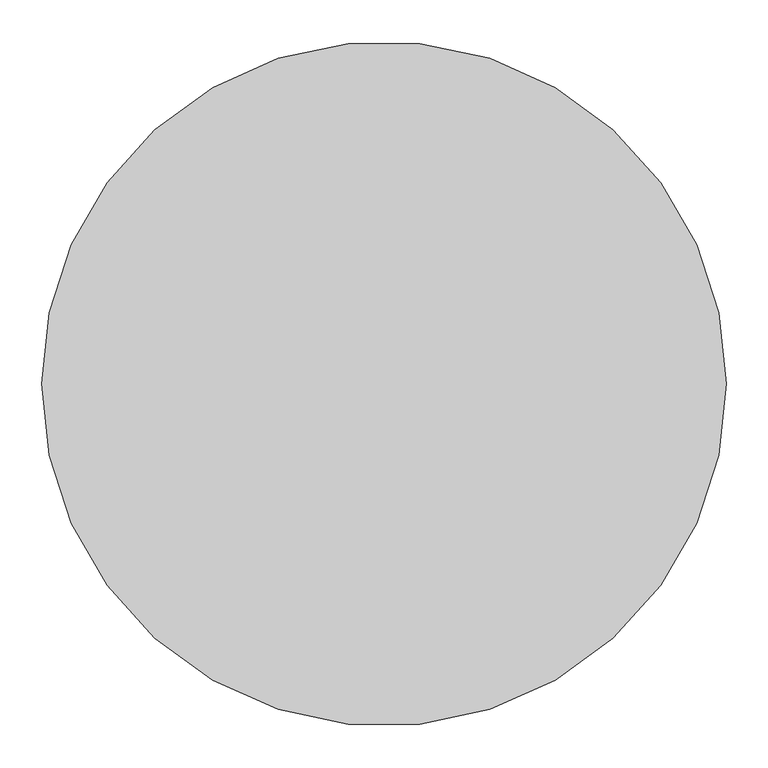
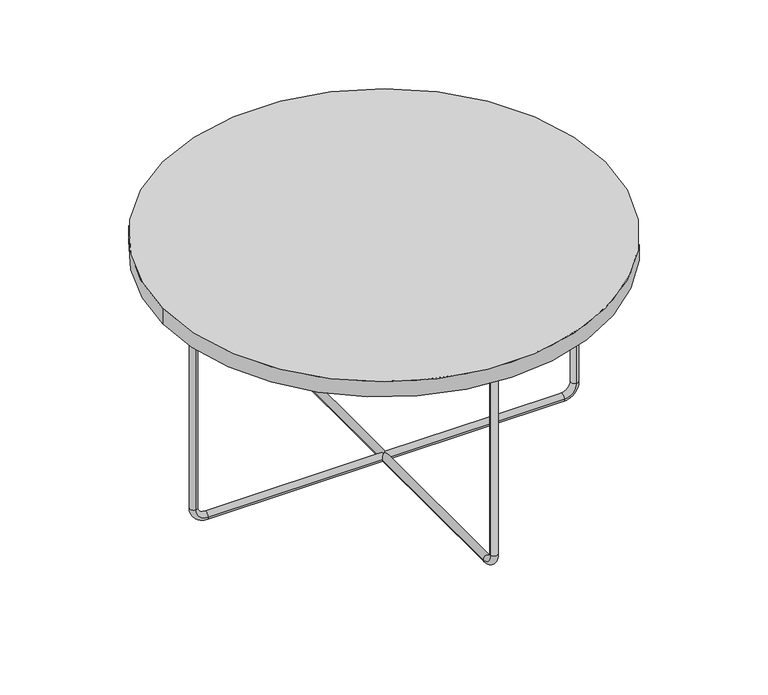
"""IFC4 building model written with IfcOpenShell, lengths in millimetres: furniture geometry."""

from ifc_helpers import new_model, si_unit, point, frame, origin, origin_2d, place, context, project, spatial, circle_curve, ellipse_curve, trimmed, segment, composite_curve, outline, extrude, source, transform, mapped, element, save
from ifc_brep_helpers import plane_surface, cylinder_surface, revolved_surface, advanced_brep


def furniture_17947c27(model_context):
    return source(origin(), model_context, "Body", "SolidModel", [
        advanced_brep(
        [(-7.0, 353.0, 410.0), (7.0, 353.0, 410.0), (-7.0, 353.0, 30.0), (7.0, 353.0, 30.0), (-7.0, 330.0, 7.0), (7.0, 330.0, 7.0), (-7.0, 7.0, 7.0), (0.0, 0.0, 14.0), (7.0, 7.0, 7.0), (-7.0, -330.0, 7.0), (7.0, -330.0, 7.0), (7.0, -7.0, 7.0), (-7.0, -7.0, 7.0), (0.0, 0.0, 0.0), (-7.0, -353.0, 30.0), (7.0, -353.0, 30.0), (-7.0, -353.0, 410.0), (7.0, -353.0, 410.0), (-353.0, 7.0, 410.0), (-353.0, -7.0, 410.0), (-353.0, 7.0, 30.0), (-353.0, -7.0, 30.0), (-330.0, 7.0, 7.0), (-330.0, -7.0, 7.0), (330.0, 7.0, 7.0), (330.0, -7.0, 7.0), (353.0, 7.0, 30.0), (353.0, -7.0, 30.0), (353.0, 7.0, 410.0), (353.0, -7.0, 410.0)],
        [
            (0, 1, circle_curve(frame((0.0, 353.0, 410.0), z_axis=(0.0, 0.0, 1.0), x_axis=(1.0, 0.0, 0.0)), 7.0)),
            (1, 0, circle_curve(frame((0.0, 353.0, 410.0), z_axis=(0.0, 0.0, 1.0), x_axis=(1.0, 0.0, 0.0)), 7.0)),
            (0, 2),
            (2, 3, circle_curve(frame((0.0, 353.0, 30.0), z_axis=(0.0, 0.0, 1.0), x_axis=(1.0, 0.0, 0.0)), 7.0)),
            (3, 1),
            (3, 2, circle_curve(frame((0.0, 353.0, 30.0), z_axis=(0.0, 0.0, 1.0), x_axis=(1.0, 0.0, 0.0)), 7.0)),
            (2, 4, circle_curve(frame((-7.0, 330.0, 30.0), z_axis=(-1.0, 0.0, 0.0), x_axis=(0.0, 1.0, 0.0)), 23.0)),
            (4, 5, circle_curve(frame((0.0, 330.0, 7.0), z_axis=(0.0, 1.0, 0.0), x_axis=(1.0, 0.0, 0.0)), 7.0)),
            (5, 3, circle_curve(frame((7.0, 330.0, 30.0), z_axis=(1.0, 0.0, 0.0), x_axis=(0.0, 1.0, 0.0)), 23.0)),
            (5, 4, circle_curve(frame((0.0, 330.0, 7.0), z_axis=(0.0, 1.0, 0.0), x_axis=(1.0, 0.0, 0.0)), 7.0)),
            (4, 6),
            (6, 7, ellipse_curve(frame((0.0, 0.0, 7.0), z_axis=(0.7071067811865475, 0.7071067811865475, 0.0), x_axis=(-0.7071067811865474, 0.7071067811865476, 0.0)), 9.8994949, 7.0)),
            (7, 8, ellipse_curve(frame((0.0, 0.0, 7.0), z_axis=(-0.7071067811865475, 0.7071067811865475, 0.0), x_axis=(0.7071067811865474, 0.7071067811865476, 0.0)), 9.8994949, 7.0)),
            (8, 5),
            (9, 10, circle_curve(frame((0.0, -330.0, 7.0), z_axis=(0.0, 1.0, 0.0), x_axis=(1.0, 0.0, 0.0)), 7.0)),
            (10, 11),
            (11, 7, ellipse_curve(frame((0.0, 0.0, 7.0), z_axis=(-0.7071067811865475, -0.7071067811865475, 0.0), x_axis=(-0.7071067811865474, 0.7071067811865476, 0.0)), 9.8994949, 7.0)),
            (7, 12, ellipse_curve(frame((0.0, 0.0, 7.0), z_axis=(0.7071067811865475, -0.7071067811865475, 0.0), x_axis=(0.7071067811865474, 0.7071067811865476, 0.0)), 9.8994949, 7.0)),
            (12, 9),
            (8, 13, ellipse_curve(frame((0.0, 0.0, 7.0), z_axis=(-0.7071067811865475, 0.7071067811865475, 0.0), x_axis=(0.7071067811865474, 0.7071067811865476, 0.0)), 9.8994949, 7.0)),
            (13, 6, ellipse_curve(frame((0.0, 0.0, 7.0), z_axis=(0.7071067811865475, 0.7071067811865475, 0.0), x_axis=(-0.7071067811865474, 0.7071067811865476, 0.0)), 9.8994949, 7.0)),
            (10, 9, circle_curve(frame((0.0, -330.0, 7.0), z_axis=(0.0, 1.0, 0.0), x_axis=(1.0, 0.0, 0.0)), 7.0)),
            (12, 13, ellipse_curve(frame((0.0, 0.0, 7.0), z_axis=(0.7071067811865475, -0.7071067811865475, 0.0), x_axis=(0.7071067811865474, 0.7071067811865476, 0.0)), 9.8994949, 7.0)),
            (13, 11, ellipse_curve(frame((0.0, 0.0, 7.0), z_axis=(-0.7071067811865475, -0.7071067811865475, 0.0), x_axis=(-0.7071067811865474, 0.7071067811865476, 0.0)), 9.8994949, 7.0)),
            (9, 14, circle_curve(frame((-7.0, -330.0, 30.0), z_axis=(-1.0, 0.0, 0.0), x_axis=(0.0, 0.0, -1.0)), 23.0)),
            (14, 15, circle_curve(frame((0.0, -353.0, 30.0), z_axis=(0.0, 0.0, -1.0), x_axis=(1.0, 0.0, 0.0)), 7.0)),
            (15, 10, circle_curve(frame((7.0, -330.0, 30.0), z_axis=(1.0, 0.0, 0.0), x_axis=(0.0, 0.0, -1.0)), 23.0)),
            (15, 14, circle_curve(frame((0.0, -353.0, 30.0), z_axis=(0.0, 0.0, -1.0), x_axis=(1.0, 0.0, 0.0)), 7.0)),
            (16, 17, circle_curve(frame((0.0, -353.0, 410.0), z_axis=(0.0, 0.0, 1.0), x_axis=(1.0, 0.0, 0.0)), 7.0)),
            (17, 16, circle_curve(frame((0.0, -353.0, 410.0), z_axis=(0.0, 0.0, 1.0), x_axis=(1.0, 0.0, 0.0)), 7.0)),
            (14, 16),
            (17, 15),
            (18, 19, circle_curve(frame((-353.0, 0.0, 410.0), z_axis=(0.0, 0.0, 1.0), x_axis=(0.0, -1.0, 0.0)), 7.0)),
            (19, 18, circle_curve(frame((-353.0, 0.0, 410.0), z_axis=(0.0, 0.0, 1.0), x_axis=(0.0, -1.0, 0.0)), 7.0)),
            (18, 20),
            (20, 21, circle_curve(frame((-353.0, 0.0, 30.0), z_axis=(0.0, 0.0, 1.0), x_axis=(0.0, -1.0, 0.0)), 7.0)),
            (21, 19),
            (21, 20, circle_curve(frame((-353.0, 0.0, 30.0), z_axis=(0.0, 0.0, 1.0), x_axis=(0.0, -1.0, 0.0)), 7.0)),
            (20, 22, circle_curve(frame((-330.0, 7.0, 30.0), z_axis=(0.0, -1.0, 0.0), x_axis=(-1.0, 0.0, 0.0)), 23.0)),
            (22, 23, circle_curve(frame((-330.0, 0.0, 7.0), z_axis=(-1.0, 0.0, 0.0), x_axis=(0.0, -1.0, 0.0)), 7.0)),
            (23, 21, circle_curve(frame((-330.0, -7.0, 30.0), z_axis=(0.0, 1.0, 0.0), x_axis=(-1.0, 0.0, 0.0)), 23.0)),
            (23, 22, circle_curve(frame((-330.0, 0.0, 7.0), z_axis=(-1.0, 0.0, 0.0), x_axis=(0.0, -1.0, 0.0)), 7.0)),
            (22, 6),
            (12, 23),
            (24, 25, circle_curve(frame((330.0, 0.0, 7.0), z_axis=(-1.0, 0.0, 0.0), x_axis=(0.0, -1.0, 0.0)), 7.0)),
            (25, 11),
            (8, 24),
            (25, 24, circle_curve(frame((330.0, 0.0, 7.0), z_axis=(-1.0, 0.0, 0.0), x_axis=(0.0, -1.0, 0.0)), 7.0)),
            (24, 26, circle_curve(frame((330.0, 7.0, 30.0), z_axis=(0.0, -1.0, 0.0), x_axis=(0.0, 0.0, -1.0)), 23.0)),
            (26, 27, circle_curve(frame((353.0, 0.0, 30.0), z_axis=(0.0, 0.0, -1.0), x_axis=(0.0, -1.0, 0.0)), 7.0)),
            (27, 25, circle_curve(frame((330.0, -7.0, 30.0), z_axis=(0.0, 1.0, 0.0), x_axis=(0.0, 0.0, -1.0)), 23.0)),
            (27, 26, circle_curve(frame((353.0, 0.0, 30.0), z_axis=(0.0, 0.0, -1.0), x_axis=(0.0, -1.0, 0.0)), 7.0)),
            (28, 29, circle_curve(frame((353.0, 0.0, 410.0), z_axis=(0.0, 0.0, 1.0), x_axis=(0.0, -1.0, 0.0)), 7.0)),
            (29, 28, circle_curve(frame((353.0, 0.0, 410.0), z_axis=(0.0, 0.0, 1.0), x_axis=(0.0, -1.0, 0.0)), 7.0)),
            (26, 28),
            (29, 27),
        ],
        [
            plane_surface(frame((0.0, 360.0, 410.0), z_axis=(0.0, 0.0, 1.0), x_axis=(1.0, 0.0, 0.0))),
            cylinder_surface(frame((0.0, 353.0, 410.0), z_axis=(0.0, 0.0, 1.0), x_axis=(1.0, 0.0, 0.0)), 7.0),
            revolved_surface(trimmed(ellipse_curve(frame((0.0, 353.0, 30.0), z_axis=(0.0, 0.0, 1.0), x_axis=(1.0, 0.0, 0.0)), 7.0, 7.0), [point((-7.0, 353.0, 30.0))], [point((7.0, 353.0, 30.0))], True, "CARTESIAN"), (0.0, 330.0, 30.0), (-1.0, 0.0, 0.0)),
            revolved_surface(trimmed(ellipse_curve(frame((0.0, 353.0, 30.0), z_axis=(0.0, 0.0, 1.0), x_axis=(1.0, 0.0, 0.0)), 7.0, 7.0), [point((7.0, 353.0, 30.0))], [point((-7.0, 353.0, 30.0))], True, "CARTESIAN"), (0.0, 330.0, 30.0), (-1.0, 0.0, 0.0)),
            cylinder_surface(frame((0.0, 330.0, 7.0), z_axis=(0.0, 1.0, 0.0), x_axis=(1.0, 0.0, 0.0)), 7.0),
            revolved_surface(trimmed(ellipse_curve(frame((0.0, -330.0, 7.0), z_axis=(0.0, 1.0, 0.0), x_axis=(1.0, 0.0, 0.0)), 7.0, 7.0), [point((-7.0, -330.0, 7.0))], [point((7.0, -330.0, 7.0))], True, "CARTESIAN"), (0.0, -330.0, 30.0), (-1.0, 0.0, 0.0)),
            revolved_surface(trimmed(ellipse_curve(frame((0.0, -330.0, 7.0), z_axis=(0.0, 1.0, 0.0), x_axis=(1.0, 0.0, 0.0)), 7.0, 7.0), [point((7.0, -330.0, 7.0))], [point((-7.0, -330.0, 7.0))], True, "CARTESIAN"), (0.0, -330.0, 30.0), (-1.0, 0.0, 0.0)),
            plane_surface(frame((0.0, -360.0, 410.0), z_axis=(0.0, 0.0, 1.0), x_axis=(1.0, 0.0, 0.0))),
            cylinder_surface(frame((0.0, -353.0, 30.0), z_axis=(0.0, 0.0, -1.0), x_axis=(1.0, 0.0, 0.0)), 7.0),
            plane_surface(frame((-360.0, 0.0, 410.0), z_axis=(0.0, 0.0, 1.0), x_axis=(0.0, -1.0, 0.0))),
            cylinder_surface(frame((-353.0, 0.0, 410.0), z_axis=(0.0, 0.0, 1.0), x_axis=(0.0, -1.0, 0.0)), 7.0),
            revolved_surface(trimmed(ellipse_curve(frame((-353.0, 0.0, 30.0), z_axis=(0.0, 0.0, 1.0), x_axis=(0.0, -1.0, 0.0)), 7.0, 7.0), [point((-353.0, 7.0, 30.0))], [point((-353.0, -7.0, 30.0))], True, "CARTESIAN"), (-330.0, 0.0, 30.0), (0.0, -1.0, 0.0)),
            revolved_surface(trimmed(ellipse_curve(frame((-353.0, 0.0, 30.0), z_axis=(0.0, 0.0, 1.0), x_axis=(0.0, -1.0, 0.0)), 7.0, 7.0), [point((-353.0, -7.0, 30.0))], [point((-353.0, 7.0, 30.0))], True, "CARTESIAN"), (-330.0, 0.0, 30.0), (0.0, -1.0, 0.0)),
            cylinder_surface(frame((-330.0, 0.0, 7.0), z_axis=(-1.0, 0.0, 0.0), x_axis=(0.0, -1.0, 0.0)), 7.0),
            revolved_surface(trimmed(ellipse_curve(frame((330.0, 0.0, 7.0), z_axis=(-1.0, 0.0, 0.0), x_axis=(0.0, -1.0, 0.0)), 7.0, 7.0), [point((330.0, 7.0, 7.0))], [point((330.0, -7.0, 7.0))], True, "CARTESIAN"), (330.0, 0.0, 30.0), (0.0, -1.0, 0.0)),
            revolved_surface(trimmed(ellipse_curve(frame((330.0, 0.0, 7.0), z_axis=(-1.0, 0.0, 0.0), x_axis=(0.0, -1.0, 0.0)), 7.0, 7.0), [point((330.0, -7.0, 7.0))], [point((330.0, 7.0, 7.0))], True, "CARTESIAN"), (330.0, 0.0, 30.0), (0.0, -1.0, 0.0)),
            plane_surface(frame((360.0, 0.0, 410.0), z_axis=(0.0, 0.0, 1.0), x_axis=(0.0, -1.0, 0.0))),
            cylinder_surface(frame((353.0, 0.0, 30.0), z_axis=(0.0, 0.0, -1.0), x_axis=(0.0, -1.0, 0.0)), 7.0),
        ],
        [
            (0, [[1, 2]]),
            (1, [[-1, 3, 4, 5]]),
            (1, [[-2, -5, 6, -3]]),
            (2, [[-4, 7, 8, 9]]),
            (3, [[-6, -9, 10, -7]]),
            (4, [[-8, 11, 12, 13, 14]]),
            (4, [[15, 16, 17, 18, 19]]),
            (4, [[-10, -14, 20, 21, -11]]),
            (4, [[22, -19, 23, 24, -16]]),
            (5, [[-15, 25, 26, 27]]),
            (6, [[-22, -27, 28, -25]]),
            (7, [[29, 30]]),
            (8, [[-26, 31, -30, 32]]),
            (8, [[-28, -32, -29, -31]]),
            (9, [[33, 34]]),
            (10, [[-33, 35, 36, 37]]),
            (10, [[-34, -37, 38, -35]]),
            (11, [[-36, 39, 40, 41]]),
            (12, [[-38, -41, 42, -39]]),
            (13, [[-40, 43, -21, -23, 44]]),
            (13, [[45, 46, -24, -20, 47]]),
            (13, [[-42, -44, -18, -12, -43]]),
            (13, [[48, -47, -13, -17, -46]]),
            (14, [[-45, 49, 50, 51]]),
            (15, [[-48, -51, 52, -49]]),
            (16, [[53, 54]]),
            (17, [[-50, 55, -54, 56]]),
            (17, [[-52, -56, -53, -55]]),
        ],
    ),
        extrude(outline(composite_curve([segment(trimmed(circle_curve(origin_2d(), 410.0), [point((410.0, 0.0))], [point((-410.0, 0.0))], False, "CARTESIAN"), True, "CONTINUOUS"), segment(trimmed(circle_curve(origin_2d(), 410.0), [point((-410.0, 0.0))], [point((410.0, 0.0))], False, "CARTESIAN"), True, "CONTINUOUS")], self_intersect=False)), frame((0.0, 0.0, 410.0), z_axis=(0.0, 0.0, 1.0), x_axis=(1.0, 0.0, 0.0)), (0.0, 0.0, 1.0), 30.0),
    ])


if __name__ == "__main__":
    model = new_model("IFC4")
    model_context = context("Model", 3, world=origin())
    ifc_project = project(units=[si_unit("LENGTHUNIT", "METRE", prefix="MILLI")], contexts=[model_context])
    site = spatial("IfcSite", under=ifc_project)
    building = spatial("IfcBuilding", under=site)
    placement = place(None, origin())
    furniture_shape = furniture_17947c27(model_context)
    element("IfcFurniture", 1, at=placement, inside=building, context=model_context, shape_type="MappedRepresentation", body=[
        mapped(furniture_shape, transform((0.0, 0.0, 0.0), x_axis=(1.0, 0.0, 0.0), y_axis=(0.0, 1.0, 0.0), z_axis=(0.0, 0.0, 1.0))),
    ])
    save(model, "model.ifc")
